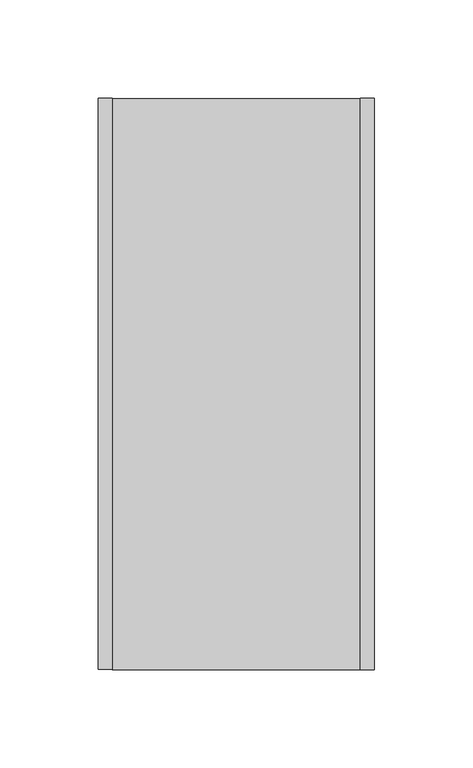
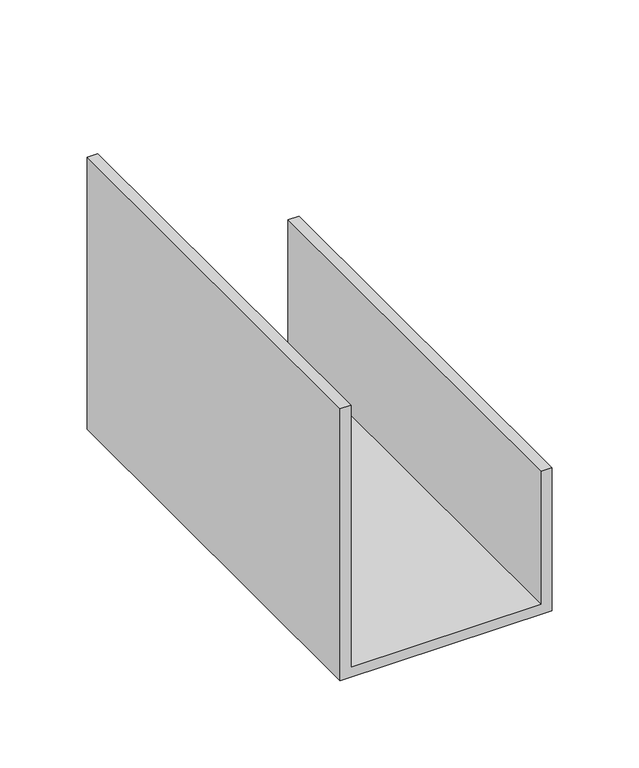
"""IFC4 building model written with IfcOpenShell, lengths in millimetres: proxy geometry."""

from ifc_helpers import new_model, si_unit, frame, origin, place, context, project, spatial, polyline, outline, extrude, source, transform, mapped, element, save


def generic_models_9e74dae5(model_context):
    return source(origin(), model_context, "Body", "SweptSolid", [
        extrude(outline(polyline([(0.0, 140.0), (100.0, 140.0), (100.0, 133.0), (7.0, 133.0), (7.0, 7.0), (190.0, 7.0), (190.0, 0.0), (0.0, 0.0), (0.0, 140.0)])), frame((0.0, 0.0, 0.0), z_axis=(0.0, 1.0, 0.0), x_axis=(0.0, 0.0, 1.0)), (0.0, 0.0, 1.0), 290.0),
    ])


if __name__ == "__main__":
    model = new_model("IFC4")
    model_context = context("Model", 3, world=origin())
    ifc_project = project(units=[si_unit("LENGTHUNIT", "METRE", prefix="MILLI")], contexts=[model_context])
    site = spatial("IfcSite", under=ifc_project)
    building = spatial("IfcBuilding", under=site)
    placement = place(None, origin())
    generic_models_shape = generic_models_9e74dae5(model_context)
    element("IfcBuildingElementProxy", 1, Name="Generic Models", at=placement, inside=building, context=model_context, shape_type="MappedRepresentation", body=[
        mapped(generic_models_shape, transform((0.0, 0.0, 0.0), x_axis=(1.0, 0.0, 0.0), y_axis=(0.0, 1.0, 0.0), z_axis=(0.0, 0.0, 1.0))),
    ])
    save(model, "model.ifc")
